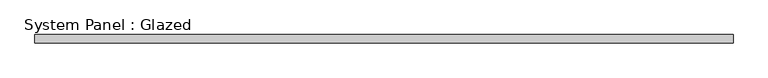
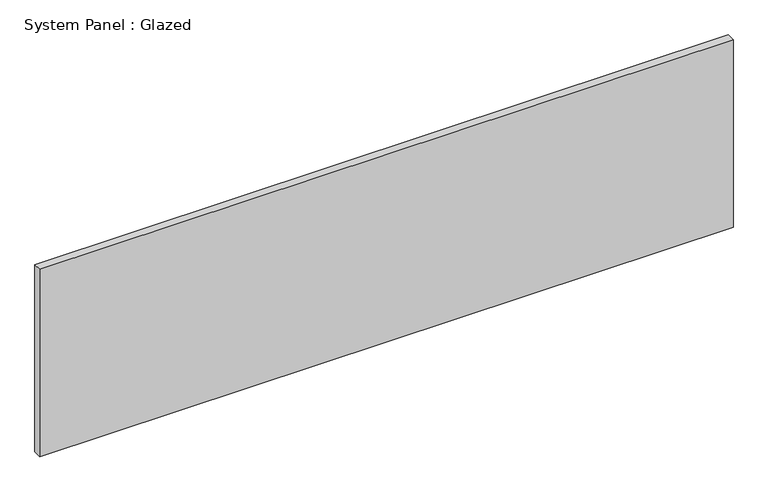
"""IFC4 building model written with IfcOpenShell, lengths in millimetres: plate geometry, System Panel : Glazed."""

import ifcopenshell
import ifcopenshell.guid

model = None  # the IFC model being written
_history = None  # IfcOwnerHistory: only IFC2X3 demands one
_inside = {}  # id of a spatial element -> (the spatial element, [elements in it])
_under = {}  # id of a project, library or spatial element -> (it, [spatial elements below it])
_declared = {}  # id of a project -> (the project, [libraries it declares])
_typed = {}  # id of a type object -> (the type object, [elements of that type])
_made_of = {}  # id of a material, layer set ... -> (it, [elements and type objects made of it])


def new_model(schema):
    """Start an empty IFC model of exactly this schema.

    Asked for "IFC4X3", IfcOpenShell would pick the latest addendum, in which some entities
    have other attributes; the version numbers below select the first issue.
    IFC2X3 requires an IfcOwnerHistory on every rooted entity: one is made here for all.
    """
    global model, _history
    if schema == "IFC4X3":
        model = ifcopenshell.file(schema_version=(4, 3, 0, 0))
    else:
        model = ifcopenshell.file(schema=schema)
    _inside.clear()
    _under.clear()
    _declared.clear()
    _typed.clear()
    _made_of.clear()
    _history = None
    if model.schema == "IFC2X3":
        org = make("IfcOrganization", Name="unknown")
        user = make(
            "IfcPersonAndOrganization",
            ThePerson=make("IfcPerson", FamilyName="unknown"),
            TheOrganization=org,
        )
        app = make(
            "IfcApplication",
            ApplicationDeveloper=org,
            Version="unknown",
            ApplicationFullName="unknown",
            ApplicationIdentifier="unknown",
        )
        _history = make(
            "IfcOwnerHistory",
            OwningUser=user,
            OwningApplication=app,
            ChangeAction="ADDED",
            CreationDate=0,
        )
    return model


def make(cls, **values):
    """One entity of the class cls with the attributes given. An attribute that is None is left unset."""
    return model.create_entity(
        cls, **{name: value for name, value in values.items() if value is not None}
    )


def rooted(cls, **values):
    """An entity with a GlobalId (a new one), such as an element, a storey or a relation."""
    return make(cls, GlobalId=ifcopenshell.guid.new(), OwnerHistory=_history, **values)


def si_unit(unit_type, name, prefix=None):
    """IfcSIUnit, for example si_unit("LENGTHUNIT", "METRE", prefix="MILLI")."""
    return make("IfcSIUnit", UnitType=unit_type, Prefix=prefix, Name=name)


def assignment(units):
    """IfcUnitAssignment: the units of a project."""
    return None if units is None else make("IfcUnitAssignment", Units=units)


def point(xyz):
    """IfcCartesianPoint."""
    return None if xyz is None else make("IfcCartesianPoint", Coordinates=xyz)


def direction(xyz):
    """IfcDirection."""
    return None if xyz is None else make("IfcDirection", DirectionRatios=xyz)


def frame(location, z_axis=None, x_axis=None):
    """IfcAxis2Placement3D, a coordinate frame: its origin and axes. An axis left out is left unset."""
    return make(
        "IfcAxis2Placement3D",
        Location=point(location),
        Axis=direction(z_axis),
        RefDirection=direction(x_axis),
    )


def origin():
    """The frame at (0, 0, 0) with its axes left unset."""
    return frame((0.0, 0.0, 0.0))


def origin_with_axes():
    """The frame at (0, 0, 0) with the z axis (0, 0, 1) and the x axis (1, 0, 0) written out."""
    return frame((0.0, 0.0, 0.0), z_axis=(0.0, 0.0, 1.0), x_axis=(1.0, 0.0, 0.0))


def place(relative_to, where):
    """IfcLocalPlacement: puts the frame where relative to a parent placement (None: the world)."""
    return make(
        "IfcLocalPlacement", PlacementRelTo=relative_to, RelativePlacement=where
    )


def context(
    kind, dimensions, precision=None, world=None, true_north=None, identifier=None
):
    """IfcGeometricRepresentationContext, for example the 3D "Model" context."""
    return make(
        "IfcGeometricRepresentationContext",
        ContextIdentifier=identifier,
        ContextType=kind,
        CoordinateSpaceDimension=dimensions,
        Precision=precision,
        WorldCoordinateSystem=world,
        TrueNorth=true_north,
    )


def project(units=None, contexts=None):
    """IfcProject with its units and contexts."""
    return rooted(
        "IfcProject",
        Name="project",
        RepresentationContexts=contexts,
        UnitsInContext=assignment(units),
    )


def spatial(cls, under=None, at=None, **own):
    """A site, building, storey or space (cls), placed at a placement, below another one or the project."""
    s = rooted(cls, ObjectPlacement=at, **own)
    if under is not None:
        _under.setdefault(under.id(), (under, []))[1].append(s)
    return s


def polyline(points):
    """IfcPolyline through the points."""
    return make("IfcPolyline", Points=[point(p) for p in points])


def outline(outer, holes=None, kind="AREA"):
    """IfcArbitraryClosedProfileDef: a profile drawn as a closed curve; with holes, ...WithVoids."""
    if holes is None:
        return make("IfcArbitraryClosedProfileDef", ProfileType=kind, OuterCurve=outer)
    return make(
        "IfcArbitraryProfileDefWithVoids",
        ProfileType=kind,
        OuterCurve=outer,
        InnerCurves=holes,
    )


def extrude(swept, where, along, depth):
    """IfcExtrudedAreaSolid: the profile swept, set in the frame where, extruded along a direction by depth."""
    return make(
        "IfcExtrudedAreaSolid",
        SweptArea=swept,
        Position=where,
        ExtrudedDirection=direction(along),
        Depth=depth,
    )


def shape(context_of_items, identifier, shape_type, items):
    """IfcShapeRepresentation: the items that make up one representation, for example the "Body"."""
    return make(
        "IfcShapeRepresentation",
        ContextOfItems=context_of_items,
        RepresentationIdentifier=identifier,
        RepresentationType=shape_type,
        Items=items,
    )


def source(mapping_origin, context_of_items, identifier, shape_type, items):
    """IfcRepresentationMap: a shape defined once, which mapped items show again and again."""
    return make(
        "IfcRepresentationMap",
        MappingOrigin=mapping_origin,
        MappedRepresentation=shape(context_of_items, identifier, shape_type, items),
    )


def transform(
    local_origin,
    x_axis=None,
    y_axis=None,
    z_axis=None,
    scale=None,
    scale2=None,
    scale3=None,
    uniform=True,
):
    """IfcCartesianTransformationOperator3D, or its non-uniform kind. x_axis, y_axis, z_axis: its Axis1, 2, 3."""
    if uniform:
        return make(
            "IfcCartesianTransformationOperator3D",
            Axis1=direction(x_axis),
            Axis2=direction(y_axis),
            LocalOrigin=point(local_origin),
            Scale=scale,
            Axis3=direction(z_axis),
        )
    return make(
        "IfcCartesianTransformationOperator3DnonUniform",
        Axis1=direction(x_axis),
        Axis2=direction(y_axis),
        LocalOrigin=point(local_origin),
        Scale=scale,
        Axis3=direction(z_axis),
        Scale2=scale2,
        Scale3=scale3,
    )


def mapped(mapping_source, mapping_target):
    """IfcMappedItem: shows the shape of a source again, moved by a transform."""
    return make(
        "IfcMappedItem", MappingSource=mapping_source, MappingTarget=mapping_target
    )


def made_of(thing, what):
    """Note that an element or type object is made of a material, layer set ...; save() writes the relation."""
    if what is not None:
        _made_of.setdefault(what.id(), (what, []))[1].append(thing)
    return thing


def element(
    cls,
    number,
    at=None,
    inside=None,
    cuts=None,
    type_object=None,
    material=None,
    context=None,
    identifier="Body",
    shape_type=None,
    held_by="IfcProductDefinitionShape",
    body=None,
    shapes=None,
    **own,
):
    """One element of the class cls, such as IfcWall. Its Tag is "e" and its number.

    at: its placement. inside: the storey or other place that contains it. cuts: it is an
    opening in that element (IfcRelVoidsElement). A single representation is given by context,
    identifier, shape_type and body (its items); several are given by shapes. held_by: the class
    of the entity that holds the representations. save() writes the other relations.
    """
    e = rooted(cls, Tag="e%d" % number, ObjectPlacement=at, **own)
    if body is not None:
        shapes = [shape(context, identifier, shape_type, body)]
    if shapes is not None:
        e.Representation = make(held_by, Representations=shapes)
    if inside is not None:
        _inside.setdefault(inside.id(), (inside, []))[1].append(e)
    if cuts is not None:
        rooted(
            "IfcRelVoidsElement", RelatingBuildingElement=cuts, RelatedOpeningElement=e
        )
    if type_object is not None:
        _typed.setdefault(type_object.id(), (type_object, []))[1].append(e)
    return made_of(e, material)


def aggregate(whole, parts):
    """IfcRelAggregates: a whole, such as a stair, and the parts it consists of."""
    return rooted("IfcRelAggregates", RelatingObject=whole, RelatedObjects=parts)


def save(model, path):
    """Write the relations noted so far, then the file.

    IfcRelAggregates (storeys below a building ...), IfcRelContainedInSpatialStructure (elements
    in a storey), IfcRelDefinesByType, IfcRelAssociatesMaterial and IfcRelDeclares: one each for
    every whole, place, type object, material and project.
    """
    for whole, parts in _under.values():
        aggregate(whole, parts)
    for where, things in _inside.values():
        rooted(
            "IfcRelContainedInSpatialStructure",
            RelatedElements=things,
            RelatingStructure=where,
        )
    for kind, things in _typed.values():
        rooted("IfcRelDefinesByType", RelatedObjects=things, RelatingType=kind)
    for what, things in _made_of.values():
        rooted("IfcRelAssociatesMaterial", RelatedObjects=things, RelatingMaterial=what)
    for by, libraries in _declared.values():
        rooted("IfcRelDeclares", RelatingContext=by, RelatedDefinitions=libraries)
    model.write(path)


def system_panel_glazed_15a19979(model_context):
    return source(origin(), model_context, "Body", "SweptSolid", [
        extrude(outline(polyline([(1066.8, -44.45), (-1066.8, -44.45), (-1066.8, -19.05), (1066.8, -19.05), (1066.8, -44.45)])), origin_with_axes(), (0.0, 0.0, 1.0), 609.6),
    ])


if __name__ == "__main__":
    model = new_model("IFC4")
    model_context = context("Model", 3, world=origin())
    ifc_project = project(units=[si_unit("LENGTHUNIT", "METRE", prefix="MILLI")], contexts=[model_context])
    site = spatial("IfcSite", under=ifc_project)
    building = spatial("IfcBuilding", under=site)
    placement = place(None, origin())
    system_panel_glazed_shape = system_panel_glazed_15a19979(model_context)
    element("IfcPlate", 1, ObjectType="System Panel : Glazed", at=placement, inside=building, context=model_context, shape_type="MappedRepresentation", body=[
        mapped(system_panel_glazed_shape, transform((0.0, 0.0, 0.0), x_axis=(1.0, 0.0, 0.0), y_axis=(0.0, 1.0, 0.0), z_axis=(0.0, 0.0, 1.0))),
    ])
    save(model, "model.ifc")
